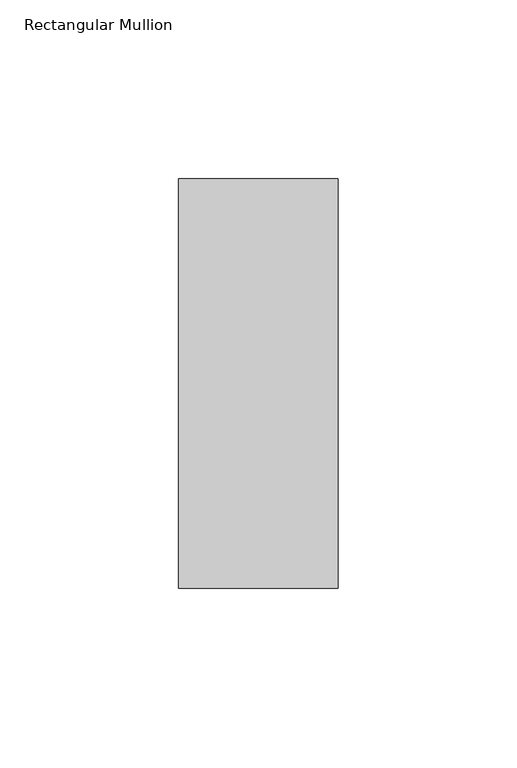
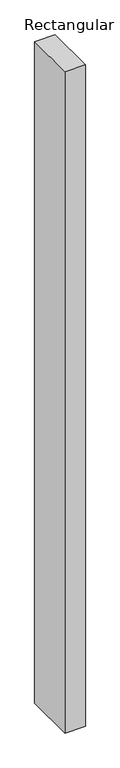
"""IFC4 building model written with IfcOpenShell, lengths in millimetres: member geometry, Rectangular Mullion."""

from ifc_helpers import new_model, si_unit, frame, origin, place, context, project, spatial, polyline, outline, extrude, source, transform, mapped, element, save


def rectangular_mullion_fcf080a2(model_context):
    return source(origin(), model_context, "Body", "SweptSolid", [
        extrude(outline(polyline([(-44.45, 57.1464454), (0.0, 57.1464454), (0.0, -57.1475778), (-44.45, -57.1475778), (-44.45, 57.1464454)])), frame((0.0, 0.0, -1524.0), z_axis=(0.0, 0.0, 1.0), x_axis=(1.0, 0.0, 0.0)), (0.0, 0.0, 1.0), 1524.0),
    ])


if __name__ == "__main__":
    model = new_model("IFC4")
    model_context = context("Model", 3, world=origin())
    ifc_project = project(units=[si_unit("LENGTHUNIT", "METRE", prefix="MILLI")], contexts=[model_context])
    site = spatial("IfcSite", under=ifc_project)
    building = spatial("IfcBuilding", under=site)
    placement = place(None, origin())
    rectangular_mullion_shape = rectangular_mullion_fcf080a2(model_context)
    element("IfcMember", 1, ObjectType="Rectangular Mullion", at=placement, inside=building, context=model_context, shape_type="MappedRepresentation", body=[
        mapped(rectangular_mullion_shape, transform((0.0, 0.0, 0.0), x_axis=(1.0, 0.0, 0.0), y_axis=(0.0, 1.0, 0.0), z_axis=(0.0, 0.0, 1.0))),
    ])
    save(model, "model.ifc")
